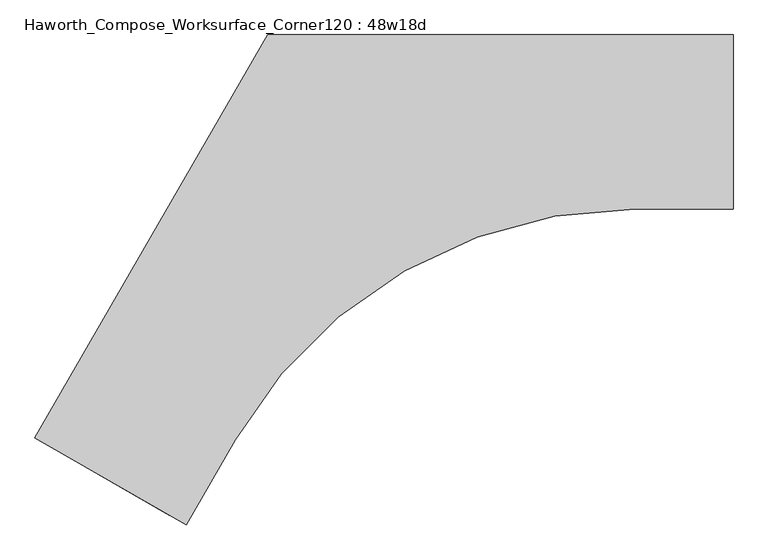
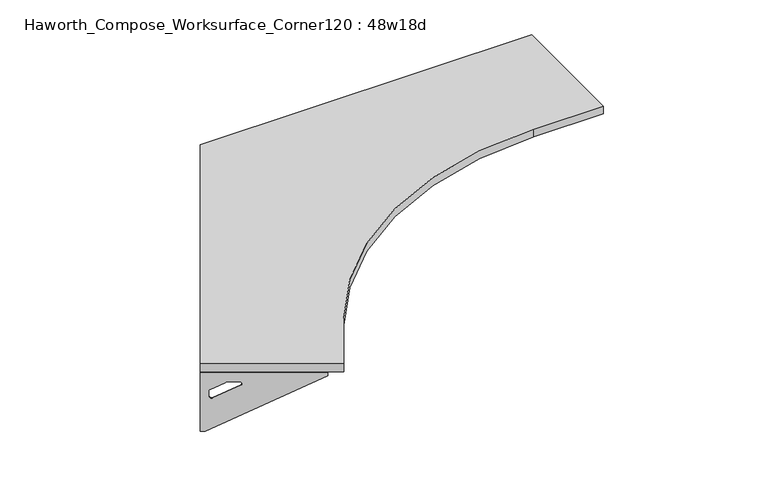
"""IFC4 building model written with IfcOpenShell, lengths in millimetres: furniture geometry, Haworth_Compose_Worksurface_Corner120 : 48w18d."""

import ifcopenshell
import ifcopenshell.guid

model = None  # the IFC model being written
_history = None  # IfcOwnerHistory: only IFC2X3 demands one
_inside = {}  # id of a spatial element -> (the spatial element, [elements in it])
_under = {}  # id of a project, library or spatial element -> (it, [spatial elements below it])
_declared = {}  # id of a project -> (the project, [libraries it declares])
_typed = {}  # id of a type object -> (the type object, [elements of that type])
_made_of = {}  # id of a material, layer set ... -> (it, [elements and type objects made of it])


def new_model(schema):
    """Start an empty IFC model of exactly this schema.

    Asked for "IFC4X3", IfcOpenShell would pick the latest addendum, in which some entities
    have other attributes; the version numbers below select the first issue.
    IFC2X3 requires an IfcOwnerHistory on every rooted entity: one is made here for all.
    """
    global model, _history
    if schema == "IFC4X3":
        model = ifcopenshell.file(schema_version=(4, 3, 0, 0))
    else:
        model = ifcopenshell.file(schema=schema)
    _inside.clear()
    _under.clear()
    _declared.clear()
    _typed.clear()
    _made_of.clear()
    _history = None
    if model.schema == "IFC2X3":
        org = make("IfcOrganization", Name="unknown")
        user = make(
            "IfcPersonAndOrganization",
            ThePerson=make("IfcPerson", FamilyName="unknown"),
            TheOrganization=org,
        )
        app = make(
            "IfcApplication",
            ApplicationDeveloper=org,
            Version="unknown",
            ApplicationFullName="unknown",
            ApplicationIdentifier="unknown",
        )
        _history = make(
            "IfcOwnerHistory",
            OwningUser=user,
            OwningApplication=app,
            ChangeAction="ADDED",
            CreationDate=0,
        )
    return model


def make(cls, **values):
    """One entity of the class cls with the attributes given. An attribute that is None is left unset."""
    return model.create_entity(
        cls, **{name: value for name, value in values.items() if value is not None}
    )


def rooted(cls, **values):
    """An entity with a GlobalId (a new one), such as an element, a storey or a relation."""
    return make(cls, GlobalId=ifcopenshell.guid.new(), OwnerHistory=_history, **values)


def si_unit(unit_type, name, prefix=None):
    """IfcSIUnit, for example si_unit("LENGTHUNIT", "METRE", prefix="MILLI")."""
    return make("IfcSIUnit", UnitType=unit_type, Prefix=prefix, Name=name)


def assignment(units):
    """IfcUnitAssignment: the units of a project."""
    return None if units is None else make("IfcUnitAssignment", Units=units)


def point(xyz):
    """IfcCartesianPoint."""
    return None if xyz is None else make("IfcCartesianPoint", Coordinates=xyz)


def direction(xyz):
    """IfcDirection."""
    return None if xyz is None else make("IfcDirection", DirectionRatios=xyz)


def frame(location, z_axis=None, x_axis=None):
    """IfcAxis2Placement3D, a coordinate frame: its origin and axes. An axis left out is left unset."""
    return make(
        "IfcAxis2Placement3D",
        Location=point(location),
        Axis=direction(z_axis),
        RefDirection=direction(x_axis),
    )


def frame_2d(location, x_axis=None):
    """IfcAxis2Placement2D, a coordinate frame in the plane: its origin and x axis."""
    return make(
        "IfcAxis2Placement2D", Location=point(location), RefDirection=direction(x_axis)
    )


def origin():
    """The frame at (0, 0, 0) with its axes left unset."""
    return frame((0.0, 0.0, 0.0))


def place(relative_to, where):
    """IfcLocalPlacement: puts the frame where relative to a parent placement (None: the world)."""
    return make(
        "IfcLocalPlacement", PlacementRelTo=relative_to, RelativePlacement=where
    )


def context(
    kind, dimensions, precision=None, world=None, true_north=None, identifier=None
):
    """IfcGeometricRepresentationContext, for example the 3D "Model" context."""
    return make(
        "IfcGeometricRepresentationContext",
        ContextIdentifier=identifier,
        ContextType=kind,
        CoordinateSpaceDimension=dimensions,
        Precision=precision,
        WorldCoordinateSystem=world,
        TrueNorth=true_north,
    )


def project(units=None, contexts=None):
    """IfcProject with its units and contexts."""
    return rooted(
        "IfcProject",
        Name="project",
        RepresentationContexts=contexts,
        UnitsInContext=assignment(units),
    )


def spatial(cls, under=None, at=None, **own):
    """A site, building, storey or space (cls), placed at a placement, below another one or the project."""
    s = rooted(cls, ObjectPlacement=at, **own)
    if under is not None:
        _under.setdefault(under.id(), (under, []))[1].append(s)
    return s


def polyline(points):
    """IfcPolyline through the points."""
    return make("IfcPolyline", Points=[point(p) for p in points])


def circle_curve(where, radius):
    """IfcCircle in the frame where."""
    return make("IfcCircle", Position=where, Radius=radius)


def trimmed(basis, trim1, trim2, sense, master):
    """IfcTrimmedCurve: the piece of a basis curve between two trims."""
    return make(
        "IfcTrimmedCurve",
        BasisCurve=basis,
        Trim1=trim1,
        Trim2=trim2,
        SenseAgreement=sense,
        MasterRepresentation=master,
    )


def segment(curve, same_sense, transition):
    """IfcCompositeCurveSegment."""
    return make(
        "IfcCompositeCurveSegment",
        Transition=transition,
        SameSense=same_sense,
        ParentCurve=curve,
    )


def composite_curve(segments, self_intersect=None):
    """IfcCompositeCurve: segments joined end to end."""
    return make("IfcCompositeCurve", Segments=segments, SelfIntersect=self_intersect)


def outline(outer, holes=None, kind="AREA"):
    """IfcArbitraryClosedProfileDef: a profile drawn as a closed curve; with holes, ...WithVoids."""
    if holes is None:
        return make("IfcArbitraryClosedProfileDef", ProfileType=kind, OuterCurve=outer)
    return make(
        "IfcArbitraryProfileDefWithVoids",
        ProfileType=kind,
        OuterCurve=outer,
        InnerCurves=holes,
    )


def extrude(swept, where, along, depth):
    """IfcExtrudedAreaSolid: the profile swept, set in the frame where, extruded along a direction by depth."""
    return make(
        "IfcExtrudedAreaSolid",
        SweptArea=swept,
        Position=where,
        ExtrudedDirection=direction(along),
        Depth=depth,
    )


def shape(context_of_items, identifier, shape_type, items):
    """IfcShapeRepresentation: the items that make up one representation, for example the "Body"."""
    return make(
        "IfcShapeRepresentation",
        ContextOfItems=context_of_items,
        RepresentationIdentifier=identifier,
        RepresentationType=shape_type,
        Items=items,
    )


def source(mapping_origin, context_of_items, identifier, shape_type, items):
    """IfcRepresentationMap: a shape defined once, which mapped items show again and again."""
    return make(
        "IfcRepresentationMap",
        MappingOrigin=mapping_origin,
        MappedRepresentation=shape(context_of_items, identifier, shape_type, items),
    )


def transform(
    local_origin,
    x_axis=None,
    y_axis=None,
    z_axis=None,
    scale=None,
    scale2=None,
    scale3=None,
    uniform=True,
):
    """IfcCartesianTransformationOperator3D, or its non-uniform kind. x_axis, y_axis, z_axis: its Axis1, 2, 3."""
    if uniform:
        return make(
            "IfcCartesianTransformationOperator3D",
            Axis1=direction(x_axis),
            Axis2=direction(y_axis),
            LocalOrigin=point(local_origin),
            Scale=scale,
            Axis3=direction(z_axis),
        )
    return make(
        "IfcCartesianTransformationOperator3DnonUniform",
        Axis1=direction(x_axis),
        Axis2=direction(y_axis),
        LocalOrigin=point(local_origin),
        Scale=scale,
        Axis3=direction(z_axis),
        Scale2=scale2,
        Scale3=scale3,
    )


def mapped(mapping_source, mapping_target):
    """IfcMappedItem: shows the shape of a source again, moved by a transform."""
    return make(
        "IfcMappedItem", MappingSource=mapping_source, MappingTarget=mapping_target
    )


def made_of(thing, what):
    """Note that an element or type object is made of a material, layer set ...; save() writes the relation."""
    if what is not None:
        _made_of.setdefault(what.id(), (what, []))[1].append(thing)
    return thing


def element(
    cls,
    number,
    at=None,
    inside=None,
    cuts=None,
    type_object=None,
    material=None,
    context=None,
    identifier="Body",
    shape_type=None,
    held_by="IfcProductDefinitionShape",
    body=None,
    shapes=None,
    **own,
):
    """One element of the class cls, such as IfcWall. Its Tag is "e" and its number.

    at: its placement. inside: the storey or other place that contains it. cuts: it is an
    opening in that element (IfcRelVoidsElement). A single representation is given by context,
    identifier, shape_type and body (its items); several are given by shapes. held_by: the class
    of the entity that holds the representations. save() writes the other relations.
    """
    e = rooted(cls, Tag="e%d" % number, ObjectPlacement=at, **own)
    if body is not None:
        shapes = [shape(context, identifier, shape_type, body)]
    if shapes is not None:
        e.Representation = make(held_by, Representations=shapes)
    if inside is not None:
        _inside.setdefault(inside.id(), (inside, []))[1].append(e)
    if cuts is not None:
        rooted(
            "IfcRelVoidsElement", RelatingBuildingElement=cuts, RelatedOpeningElement=e
        )
    if type_object is not None:
        _typed.setdefault(type_object.id(), (type_object, []))[1].append(e)
    return made_of(e, material)


def aggregate(whole, parts):
    """IfcRelAggregates: a whole, such as a stair, and the parts it consists of."""
    return rooted("IfcRelAggregates", RelatingObject=whole, RelatedObjects=parts)


def save(model, path):
    """Write the relations noted so far, then the file.

    IfcRelAggregates (storeys below a building ...), IfcRelContainedInSpatialStructure (elements
    in a storey), IfcRelDefinesByType, IfcRelAssociatesMaterial and IfcRelDeclares: one each for
    every whole, place, type object, material and project.
    """
    for whole, parts in _under.values():
        aggregate(whole, parts)
    for where, things in _inside.values():
        rooted(
            "IfcRelContainedInSpatialStructure",
            RelatedElements=things,
            RelatingStructure=where,
        )
    for kind, things in _typed.values():
        rooted("IfcRelDefinesByType", RelatedObjects=things, RelatingType=kind)
    for what, things in _made_of.values():
        rooted("IfcRelAssociatesMaterial", RelatedObjects=things, RelatingMaterial=what)
    for by, libraries in _declared.values():
        rooted("IfcRelDeclares", RelatingContext=by, RelatedDefinitions=libraries)
    model.write(path)


def plane_surface(at):
    """IfcPlane: the flat surface through the origin of the frame at, square to its z axis."""
    return make("IfcPlane", Position=at)


def revolved_surface(curve, axis_point, axis_direction):
    """IfcSurfaceOfRevolution: the curve turned about the line through axis_point along axis_direction."""
    return make(
        "IfcSurfaceOfRevolution",
        SweptCurve=make("IfcArbitraryOpenProfileDef", ProfileType="CURVE", Curve=curve),
        AxisPosition=make("IfcAxis1Placement", Location=point(axis_point), Axis=direction(axis_direction)),
    )


def advanced_brep(points, edges, surfaces, faces):
    """IfcAdvancedBrep: a solid bounded by faces that lie on surfaces and meet in shared edges.

    An edge is (start, end): straight between two places in points (the first is 0);
    or (start, end, curve); or (start, end, curve, False) where it runs against its curve.
    A face is (place in surfaces, loops), or (place, loops, False) where it looks against
    its surface's normal. A loop lists edges by number (the first is 1), with a minus sign
    where the edge is run from its end to its start. The first loop is the outer one.
    """
    corners = [point(p) for p in points]
    vertices = [make("IfcVertexPoint", VertexGeometry=c) for c in corners]
    made = []
    for start, end, *more in edges:
        made.append(
            make(
                "IfcEdgeCurve",
                EdgeStart=vertices[start],
                EdgeEnd=vertices[end],
                EdgeGeometry=more[0] if more else make("IfcPolyline", Points=[corners[start], corners[end]]),
                SameSense=more[1] if len(more) > 1 else True,
            )
        )
    hull = []
    for where, loops, *sense in faces:
        bounds = []
        for j, loop in enumerate(loops):
            ring = [make("IfcOrientedEdge", EdgeElement=made[abs(k) - 1], Orientation=k > 0) for k in loop]
            bounds.append(
                make(
                    "IfcFaceOuterBound" if j == 0 else "IfcFaceBound",
                    Bound=make("IfcEdgeLoop", EdgeList=ring),
                    Orientation=True,
                )
            )
        hull.append(make("IfcAdvancedFace", Bounds=bounds, FaceSurface=surfaces[where], SameSense=sense[0] if sense else True))
    return make("IfcAdvancedBrep", Outer=make("IfcClosedShell", CfsFaces=hull))


def haworth_compose_worksurface_corner120_48w18d_56d15727(model_context):
    return source(origin(), model_context, "Body", "SolidModel", [
        advanced_brep(
        [(454.81875, 304.8, 473.86875), (454.81875, 288.925, 473.86875), (454.81875, -101.6, 690.1317568), (454.81875, -101.6, 702.46875), (454.81875, 288.925, 702.46875), (454.81875, 304.8, 702.46875), (454.81875, 221.490072, 664.36875), (454.81875, 177.8355284, 664.36875), (454.81875, 175.1564235, 654.7830539), (454.81875, 266.8776173, 603.9901439), (454.81875, 276.225, 609.5881969), (454.81875, 276.225, 633.0985246), (454.81875, 274.4730055, 635.9367776), (454.81875, 224.5663437, 663.5738425), (457.2, 304.8, 473.86875), (457.2, 304.8, 702.46875), (457.2, 288.925, 702.46875), (457.2, 288.925, 704.85), (457.2, -101.6, 704.85), (457.2, -101.6, 690.1317568), (457.2, 288.925, 473.86875), (457.2, 221.490072, 664.36875), (457.2, 224.5663437, 663.5738425), (457.2, 274.4730055, 635.9367776), (457.2, 276.225, 633.0985246), (457.2, 276.225, 609.5881969), (457.2, 266.8776173, 603.9901439), (457.2, 175.1564235, 654.7830539), (457.2, 177.8355284, 664.36875), (415.925, -101.6, 704.85), (415.925, -101.6, 702.46875), (415.925, 288.925, 702.46875), (415.925, 288.925, 704.85)],
        [
            (0, 1),
            (1, 2),
            (2, 3),
            (3, 4),
            (4, 5),
            (5, 0),
            (6, 7),
            (7, 8, circle_curve(frame((454.81875, 177.8355284, 659.2015106), z_axis=(1.0, 0.0, 0.0), x_axis=(0.0, -1.0, 0.0)), 5.1672394)),
            (8, 9),
            (9, 10, circle_curve(frame((454.81875, 269.875, 609.5881969), z_axis=(1.0, 0.0, 0.0), x_axis=(0.0, -1.0, 0.0)), 6.35)),
            (10, 11),
            (11, 12, circle_curve(frame((454.81875, 273.05, 633.0985246), z_axis=(1.0, 0.0, 0.0), x_axis=(0.0, -1.0, 0.0)), 3.175)),
            (12, 13),
            (13, 6, circle_curve(frame((454.81875, 221.490072, 658.01875), z_axis=(1.0, 0.0, 0.0), x_axis=(0.0, -1.0, 0.0)), 6.35)),
            (14, 15),
            (15, 16),
            (16, 17),
            (17, 18),
            (18, 19),
            (19, 20),
            (20, 14),
            (21, 22, circle_curve(frame((457.2, 221.490072, 658.01875), z_axis=(-1.0, 0.0, 0.0), x_axis=(0.0, -1.0, 0.0)), 6.35)),
            (22, 23),
            (23, 24, circle_curve(frame((457.2, 273.05, 633.0985246), z_axis=(-1.0, 0.0, 0.0), x_axis=(0.0, -1.0, 0.0)), 3.175)),
            (24, 25),
            (25, 26, circle_curve(frame((457.2, 269.875, 609.5881969), z_axis=(-1.0, 0.0, 0.0), x_axis=(0.0, -1.0, 0.0)), 6.35)),
            (26, 27),
            (27, 28, circle_curve(frame((457.2, 177.8355284, 659.2015106), z_axis=(-1.0, 0.0, 0.0), x_axis=(0.0, -1.0, 0.0)), 5.1672394)),
            (28, 21),
            (4, 16),
            (15, 5),
            (14, 0),
            (20, 1),
            (19, 2),
            (18, 29),
            (29, 30),
            (30, 3),
            (6, 21),
            (28, 7),
            (9, 26),
            (25, 10),
            (24, 11),
            (23, 12),
            (27, 8),
            (31, 4),
            (30, 31),
            (32, 29),
            (17, 32),
            (31, 32),
            (22, 13),
        ],
        [
            plane_surface(frame((454.81875, 304.8, 473.86875), z_axis=(-1.0, 0.0, 0.0), x_axis=(0.0, 1.0, 0.0))),
            plane_surface(frame((457.2, 304.8, 473.86875), z_axis=(1.0, 0.0, 0.0), x_axis=(0.0, -1.0, 0.0))),
            plane_surface(frame((457.2, -101.6, 702.46875), z_axis=(0.0, 0.0, 1.0), x_axis=(-1.0, 0.0, 0.0))),
            plane_surface(frame((457.2, 304.8, 702.46875), z_axis=(0.0, 1.0, 0.0), x_axis=(-1.0, 0.0, 0.0))),
            plane_surface(frame((457.2, 304.8, 473.86875), z_axis=(0.0, 0.0, -1.0), x_axis=(-1.0, 0.0, 0.0))),
            plane_surface(frame((457.2, 288.925, 473.86875), z_axis=(0.0, -0.4844522351345575, -0.8748177135112957), x_axis=(-1.0, 0.0, 0.0))),
            plane_surface(frame((457.2, -101.6, 690.1317568), z_axis=(0.0, -1.0, 0.0), x_axis=(-1.0, 0.0, 0.0))),
            plane_surface(frame((457.2, 221.490072, 664.36875), z_axis=(0.0, 0.0, -1.0), x_axis=(-1.0, 0.0, 0.0))),
            revolved_surface(polyline([(454.81875, 263.525, 609.5881969), (457.2, 263.525, 609.5881969)]), (457.2, 269.875, 609.5881969), (-1.0, 0.0, 0.0)),
            plane_surface(frame((457.2, 276.225, 609.5881969), z_axis=(0.0, -1.0, 0.0), x_axis=(-1.0, 0.0, 0.0))),
            revolved_surface(polyline([(454.81875, 269.875, 633.0985246), (457.2, 269.875, 633.0985246)]), (457.2, 273.05, 633.0985246), (-1.0, 0.0, 0.0)),
            revolved_surface(polyline([(454.81875, 172.668289, 659.2015106), (457.2, 172.668289, 659.2015106)]), (457.2, 177.8355284, 659.2015106), (-1.0, 0.0, 0.0)),
            plane_surface(frame((457.2, 288.925, 702.46875), z_axis=(0.0, 0.0, -1.0), x_axis=(-1.0, 0.0, 0.0))),
            plane_surface(frame((457.2, 288.925, 704.85), z_axis=(0.0, 0.0, 1.0), x_axis=(1.0, 0.0, 0.0))),
            plane_surface(frame((415.925, 288.925, 704.85), z_axis=(0.0, 1.0, 0.0), x_axis=(0.0, 0.0, -1.0))),
            plane_surface(frame((415.925, -101.6, 704.85), z_axis=(-1.0, 0.0, 0.0), x_axis=(0.0, 0.0, -1.0))),
            plane_surface(frame((457.2, 175.1564235, 654.7830539), z_axis=(0.0, 0.4844522351341526, 0.8748177135115199), x_axis=(-1.0, 0.0, 0.0))),
            plane_surface(frame((457.2, 274.4730055, 635.9367776), z_axis=(0.0, -0.48445223513456226, -0.874817713511293), x_axis=(-1.0, 0.0, 0.0))),
            revolved_surface(polyline([(454.81875, 215.140072, 658.01875), (457.2, 215.140072, 658.01875)]), (457.2, 221.490072, 658.01875), (-1.0, 0.0, 0.0)),
        ],
        [
            (0, [[1, 2, 3, 4, 5, 6], [7, 8, 9, 10, 11, 12, 13, 14]]),
            (1, [[15, 16, 17, 18, 19, 20, 21], [22, 23, 24, 25, 26, 27, 28, 29]]),
            (2, [[-5, 30, -16, 31]]),
            (3, [[-31, -15, 32, -6]]),
            (4, [[-32, -21, 33, -1]]),
            (5, [[-33, -20, 34, -2]]),
            (6, [[-34, -19, 35, 36, 37, -3]]),
            (7, [[38, -29, 39, -7]]),
            (8, [[40, -26, 41, -10]]),
            (9, [[-41, -25, 42, -11]]),
            (10, [[-42, -24, 43, -12]]),
            (11, [[-39, -28, 44, -8]]),
            (12, [[45, -4, -37, 46]]),
            (13, [[47, -35, -18, 48]]),
            (14, [[-17, -30, -45, 49, -48]]),
            (15, [[-36, -47, -49, -46]]),
            (16, [[-44, -27, -40, -9]]),
            (17, [[-43, -23, 50, -13]]),
            (18, [[-50, -22, -38, -14]]),
        ],
    ),
        advanced_brep(
        [(-1370.409375, -748.9959493, 473.86875), (-1370.409375, -748.9959493, 702.46875), (-1356.6612217, -756.9334493, 702.46875), (-1018.4566509, -952.1959493, 702.46875), (-1018.4566509, -952.1959493, 690.1317568), (-1356.6612217, -756.9334493, 473.86875), (-1298.260861, -790.6509133, 664.36875), (-1300.9249904, -789.1127775, 663.5738425), (-1344.1454274, -764.1594465, 635.9367776), (-1345.6626991, -763.2834493, 633.0985246), (-1345.6626991, -763.2834493, 609.5881969), (-1337.5676282, -767.9571406, 603.9901439), (-1258.1347443, -813.8177376, 654.7830539), (-1260.4549172, -812.4781851, 664.36875), (-1371.6, -751.0581723, 473.86875), (-1357.8518467, -758.9956723, 473.86875), (-1019.6472759, -954.2581723, 690.1317568), (-1019.6472759, -954.2581723, 704.85), (-1357.8518467, -758.9956723, 704.85), (-1357.8518467, -758.9956723, 702.46875), (-1371.6, -751.0581723, 702.46875), (-1299.451486, -792.7131363, 664.36875), (-1261.6455422, -814.5404081, 664.36875), (-1259.3253693, -815.8799606, 654.7830539), (-1338.7582532, -770.0193636, 603.9901439), (-1346.8533241, -765.3456723, 609.5881969), (-1346.8533241, -765.3456723, 633.0985246), (-1345.3360524, -766.2216695, 635.9367776), (-1302.1156154, -791.1750004, 663.5738425), (-999.0097759, -918.5129738, 702.46875), (-999.0097759, -918.5129738, 704.85), (-1337.2143467, -723.2504738, 702.46875), (-1337.2143467, -723.2504738, 704.85)],
        [
            (0, 1),
            (1, 2),
            (2, 3),
            (3, 4),
            (4, 5),
            (5, 0),
            (6, 7, circle_curve(frame((-1298.260861, -790.6509133, 658.01875), z_axis=(-0.5000000000000026, -0.8660254037844374, 0.0), x_axis=(0.8660254037844372, -0.5000000000000024, 0.0)), 6.35)),
            (7, 8),
            (8, 9, circle_curve(frame((-1342.9130684, -764.8709493, 633.0985246), z_axis=(-0.5000000000000026, -0.8660254037844374, 0.0), x_axis=(0.8660254037844372, -0.5000000000000024, 0.0)), 3.175)),
            (9, 10),
            (10, 11, circle_curve(frame((-1340.1634378, -766.4584493, 609.5881969), z_axis=(-0.5000000000000026, -0.8660254037844374, 0.0), x_axis=(0.8660254037844372, -0.5000000000000024, 0.0)), 6.35)),
            (11, 12),
            (12, 13, circle_curve(frame((-1260.4549172, -812.4781851, 659.2015106), z_axis=(-0.5000000000000026, -0.8660254037844374, 0.0), x_axis=(0.8660254037844372, -0.5000000000000024, 0.0)), 5.1672394)),
            (13, 6),
            (14, 15),
            (15, 16),
            (16, 17),
            (17, 18),
            (18, 19),
            (19, 20),
            (20, 14),
            (21, 22),
            (22, 23, circle_curve(frame((-1261.6455422, -814.5404081, 659.2015106), z_axis=(0.5000000000000026, 0.8660254037844374, 0.0), x_axis=(0.8660254037844372, -0.5000000000000024, 0.0)), 5.1672394)),
            (23, 24),
            (24, 25, circle_curve(frame((-1341.3540628, -768.5206723, 609.5881969), z_axis=(0.5000000000000026, 0.8660254037844374, 0.0), x_axis=(0.8660254037844372, -0.5000000000000024, 0.0)), 6.35)),
            (25, 26),
            (26, 27, circle_curve(frame((-1344.1036934, -766.9331723, 633.0985246), z_axis=(0.5000000000000026, 0.8660254037844374, 0.0), x_axis=(0.8660254037844372, -0.5000000000000024, 0.0)), 3.175)),
            (27, 28),
            (28, 21, circle_curve(frame((-1299.451486, -792.7131363, 658.01875), z_axis=(0.5000000000000026, 0.8660254037844374, 0.0), x_axis=(0.8660254037844372, -0.5000000000000024, 0.0)), 6.35)),
            (1, 20),
            (19, 2),
            (0, 14),
            (5, 15),
            (4, 16),
            (3, 29),
            (29, 30),
            (30, 17),
            (13, 22),
            (21, 6),
            (10, 25),
            (24, 11),
            (9, 26),
            (8, 27),
            (12, 23),
            (31, 29),
            (2, 31),
            (32, 18),
            (30, 32),
            (32, 31),
            (7, 28),
        ],
        [
            plane_surface(frame((-1370.409375, -748.9959493, 473.86875), z_axis=(0.5000000000000026, 0.8660254037844373, 0.0), x_axis=(-0.8660254037844373, 0.5000000000000026, 0.0))),
            plane_surface(frame((-1371.6, -751.0581723, 473.86875), z_axis=(-0.5000000000000026, -0.8660254037844373, 0.0), x_axis=(0.8660254037844373, -0.5000000000000026, 0.0))),
            plane_surface(frame((-1019.6472759, -954.2581723, 702.46875), z_axis=(0.0, 0.0, 1.0), x_axis=(0.5000000000000011, 0.866025403784438, 0.0))),
            plane_surface(frame((-1371.6, -751.0581723, 702.46875), z_axis=(-0.866025403784438, 0.5000000000000011, 0.0), x_axis=(0.5000000000000011, 0.866025403784438, 0.0))),
            plane_surface(frame((-1371.6, -751.0581723, 473.86875), z_axis=(0.0, 0.0, -1.0), x_axis=(0.5000000000000011, 0.866025403784438, 0.0))),
            plane_surface(frame((-1357.8518467, -758.9956723, 473.86875), z_axis=(0.41954794254667943, -0.24222611756727808, -0.8748177135112957), x_axis=(0.5000000000000011, 0.866025403784438, 0.0))),
            plane_surface(frame((-1019.6472759, -954.2581723, 690.1317568), z_axis=(0.866025403784438, -0.5000000000000011, 0.0), x_axis=(0.5000000000000011, 0.866025403784438, 0.0))),
            plane_surface(frame((-1299.451486, -792.7131363, 664.36875), z_axis=(0.0, 0.0, -1.0), x_axis=(0.5000000000000011, 0.866025403784438, 0.0))),
            revolved_surface(polyline([(-1334.66417645195, -769.6334492483159, 609.5881969), (-1335.854801485969, -771.6956723000001, 609.5881969)]), (-1341.3540628, -768.5206723, 609.5881969), (0.5000000000000024, 0.8660254037844372, 0.0)),
            plane_surface(frame((-1346.8533241, -765.3456723, 609.5881969), z_axis=(0.866025403784438, -0.5000000000000011, 0.0), x_axis=(0.5000000000000011, 0.866025403784438, 0.0))),
            revolved_surface(polyline([(-1340.1634377398502, -766.4584493018095, 633.0985246), (-1341.3540627537307, -768.5206723186128, 633.0985246)]), (-1344.1036934, -766.9331723, 633.0985246), (0.5000000000000024, 0.8660254037844372, 0.0)),
            revolved_surface(polyline([(-1255.9799566090298, -815.0618048018096, 659.2015106), (-1257.1705816345157, -817.1240278387139, 659.2015106)]), (-1261.6455422, -814.5404081, 659.2015106), (0.5000000000000024, 0.8660254037844372, 0.0)),
            plane_surface(frame((-1357.8518467, -758.9956723, 702.46875), z_axis=(0.0, 0.0, -1.0), x_axis=(0.5000000000000011, 0.866025403784438, 0.0))),
            plane_surface(frame((-1357.8518467, -758.9956723, 704.85), z_axis=(0.0, 0.0, 1.0), x_axis=(-0.5000000000000011, -0.866025403784438, 0.0))),
            plane_surface(frame((-1337.2143467, -723.2504738, 704.85), z_axis=(-0.866025403784438, 0.5000000000000011, 0.0), x_axis=(0.0, 0.0, -1.0))),
            plane_surface(frame((-999.0097759, -918.5129738, 704.85), z_axis=(0.5000000000000011, 0.866025403784438, 0.0), x_axis=(0.0, 0.0, -1.0))),
            plane_surface(frame((-1259.3253693, -815.8799606, 654.7830539), z_axis=(-0.41954794254632877, 0.24222611756707563, 0.87481771351152), x_axis=(0.5000000000000011, 0.866025403784438, 0.0))),
            plane_surface(frame((-1345.3360524, -766.2216695, 635.9367776), z_axis=(0.4195479425466836, -0.24222611756728046, -0.874817713511293), x_axis=(0.5000000000000011, 0.866025403784438, 0.0))),
            revolved_surface(polyline([(-1292.7615996828345, -793.8259133018096, 658.01875), (-1293.9522246859688, -795.8881363, 658.01875)]), (-1299.451486, -792.7131363, 658.01875), (0.5000000000000024, 0.8660254037844372, 0.0)),
        ],
        [
            (0, [[1, 2, 3, 4, 5, 6], [7, 8, 9, 10, 11, 12, 13, 14]]),
            (1, [[15, 16, 17, 18, 19, 20, 21], [22, 23, 24, 25, 26, 27, 28, 29]]),
            (2, [[30, -20, 31, -2]]),
            (3, [[-1, 32, -21, -30]]),
            (4, [[-6, 33, -15, -32]]),
            (5, [[-5, 34, -16, -33]]),
            (6, [[-4, 35, 36, 37, -17, -34]]),
            (7, [[-14, 38, -22, 39]]),
            (8, [[-11, 40, -25, 41]]),
            (9, [[-10, 42, -26, -40]]),
            (10, [[-9, 43, -27, -42]]),
            (11, [[-13, 44, -23, -38]]),
            (12, [[45, -35, -3, 46]]),
            (13, [[47, -18, -37, 48]]),
            (14, [[-47, 49, -46, -31, -19]]),
            (15, [[-45, -49, -48, -36]]),
            (16, [[-12, -41, -24, -44]]),
            (17, [[-8, 50, -28, -43]]),
            (18, [[-7, -39, -29, -50]]),
        ],
    ),
        extrude(outline(composite_curve([segment(polyline([(-1371.6, -751.0581723), (-762.0, 304.8), (457.2, 304.8), (457.2, -152.4), (200.37073, -152.4)]), True, "CONTINUOUS"), segment(trimmed(circle_curve(frame_2d((200.37073, -1362.075)), 1209.675), [point((200.37073, -152.4))], [point((-847.2385504, -757.2375))], True, "CARTESIAN"), True, "CONTINUOUS"), segment(polyline([(-847.2385504, -757.2375), (-975.6531854, -979.6581723), (-1371.6, -751.0581723)]), True, "CONTINUOUS")], self_intersect=False)), frame((0.0, 0.0, 706.4375), z_axis=(0.0, 0.0, 1.0), x_axis=(1.0, 0.0, 0.0)), (0.0, 0.0, 1.0), 30.1625),
    ])


if __name__ == "__main__":
    model = new_model("IFC4")
    model_context = context("Model", 3, world=origin())
    ifc_project = project(units=[si_unit("LENGTHUNIT", "METRE", prefix="MILLI")], contexts=[model_context])
    site = spatial("IfcSite", under=ifc_project)
    building = spatial("IfcBuilding", under=site)
    placement = place(None, origin())
    haworth_compose_worksurface_corner120_48w18d_shape = haworth_compose_worksurface_corner120_48w18d_56d15727(model_context)
    element("IfcFurniture", 1, ObjectType="Haworth_Compose_Worksurface_Corner120 : 48w18d", at=placement, inside=building, context=model_context, shape_type="MappedRepresentation", body=[
        mapped(haworth_compose_worksurface_corner120_48w18d_shape, transform((0.0, 0.0, 0.0), x_axis=(1.0, 0.0, 0.0), y_axis=(0.0, 1.0, 0.0), z_axis=(0.0, 0.0, 1.0))),
    ])
    save(model, "model.ifc")
